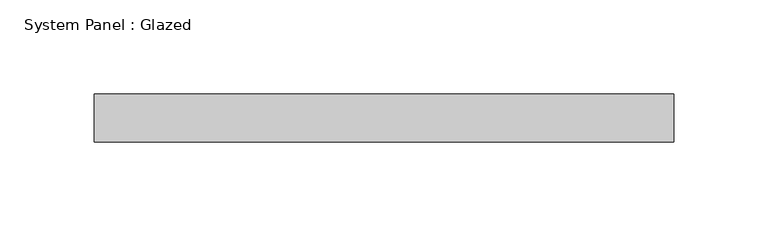
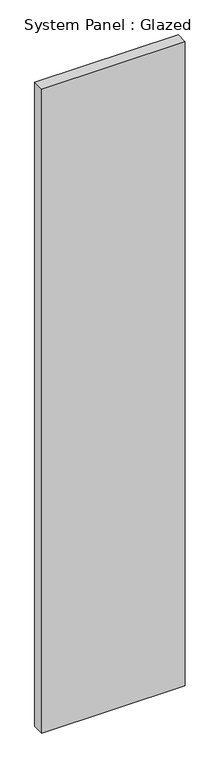
"""IFC4 building model written with IfcOpenShell, lengths in millimetres: plate geometry, System Panel : Glazed."""

import ifcopenshell
import ifcopenshell.guid

model = None  # the IFC model being written
_history = None  # IfcOwnerHistory: only IFC2X3 demands one
_inside = {}  # id of a spatial element -> (the spatial element, [elements in it])
_under = {}  # id of a project, library or spatial element -> (it, [spatial elements below it])
_declared = {}  # id of a project -> (the project, [libraries it declares])
_typed = {}  # id of a type object -> (the type object, [elements of that type])
_made_of = {}  # id of a material, layer set ... -> (it, [elements and type objects made of it])


def new_model(schema):
    """Start an empty IFC model of exactly this schema.

    Asked for "IFC4X3", IfcOpenShell would pick the latest addendum, in which some entities
    have other attributes; the version numbers below select the first issue.
    IFC2X3 requires an IfcOwnerHistory on every rooted entity: one is made here for all.
    """
    global model, _history
    if schema == "IFC4X3":
        model = ifcopenshell.file(schema_version=(4, 3, 0, 0))
    else:
        model = ifcopenshell.file(schema=schema)
    _inside.clear()
    _under.clear()
    _declared.clear()
    _typed.clear()
    _made_of.clear()
    _history = None
    if model.schema == "IFC2X3":
        org = make("IfcOrganization", Name="unknown")
        user = make(
            "IfcPersonAndOrganization",
            ThePerson=make("IfcPerson", FamilyName="unknown"),
            TheOrganization=org,
        )
        app = make(
            "IfcApplication",
            ApplicationDeveloper=org,
            Version="unknown",
            ApplicationFullName="unknown",
            ApplicationIdentifier="unknown",
        )
        _history = make(
            "IfcOwnerHistory",
            OwningUser=user,
            OwningApplication=app,
            ChangeAction="ADDED",
            CreationDate=0,
        )
    return model


def make(cls, **values):
    """One entity of the class cls with the attributes given. An attribute that is None is left unset."""
    return model.create_entity(
        cls, **{name: value for name, value in values.items() if value is not None}
    )


def rooted(cls, **values):
    """An entity with a GlobalId (a new one), such as an element, a storey or a relation."""
    return make(cls, GlobalId=ifcopenshell.guid.new(), OwnerHistory=_history, **values)


def si_unit(unit_type, name, prefix=None):
    """IfcSIUnit, for example si_unit("LENGTHUNIT", "METRE", prefix="MILLI")."""
    return make("IfcSIUnit", UnitType=unit_type, Prefix=prefix, Name=name)


def assignment(units):
    """IfcUnitAssignment: the units of a project."""
    return None if units is None else make("IfcUnitAssignment", Units=units)


def point(xyz):
    """IfcCartesianPoint."""
    return None if xyz is None else make("IfcCartesianPoint", Coordinates=xyz)


def direction(xyz):
    """IfcDirection."""
    return None if xyz is None else make("IfcDirection", DirectionRatios=xyz)


def frame(location, z_axis=None, x_axis=None):
    """IfcAxis2Placement3D, a coordinate frame: its origin and axes. An axis left out is left unset."""
    return make(
        "IfcAxis2Placement3D",
        Location=point(location),
        Axis=direction(z_axis),
        RefDirection=direction(x_axis),
    )


def origin():
    """The frame at (0, 0, 0) with its axes left unset."""
    return frame((0.0, 0.0, 0.0))


def origin_with_axes():
    """The frame at (0, 0, 0) with the z axis (0, 0, 1) and the x axis (1, 0, 0) written out."""
    return frame((0.0, 0.0, 0.0), z_axis=(0.0, 0.0, 1.0), x_axis=(1.0, 0.0, 0.0))


def place(relative_to, where):
    """IfcLocalPlacement: puts the frame where relative to a parent placement (None: the world)."""
    return make(
        "IfcLocalPlacement", PlacementRelTo=relative_to, RelativePlacement=where
    )


def context(
    kind, dimensions, precision=None, world=None, true_north=None, identifier=None
):
    """IfcGeometricRepresentationContext, for example the 3D "Model" context."""
    return make(
        "IfcGeometricRepresentationContext",
        ContextIdentifier=identifier,
        ContextType=kind,
        CoordinateSpaceDimension=dimensions,
        Precision=precision,
        WorldCoordinateSystem=world,
        TrueNorth=true_north,
    )


def project(units=None, contexts=None):
    """IfcProject with its units and contexts."""
    return rooted(
        "IfcProject",
        Name="project",
        RepresentationContexts=contexts,
        UnitsInContext=assignment(units),
    )


def spatial(cls, under=None, at=None, **own):
    """A site, building, storey or space (cls), placed at a placement, below another one or the project."""
    s = rooted(cls, ObjectPlacement=at, **own)
    if under is not None:
        _under.setdefault(under.id(), (under, []))[1].append(s)
    return s


def polyline(points):
    """IfcPolyline through the points."""
    return make("IfcPolyline", Points=[point(p) for p in points])


def outline(outer, holes=None, kind="AREA"):
    """IfcArbitraryClosedProfileDef: a profile drawn as a closed curve; with holes, ...WithVoids."""
    if holes is None:
        return make("IfcArbitraryClosedProfileDef", ProfileType=kind, OuterCurve=outer)
    return make(
        "IfcArbitraryProfileDefWithVoids",
        ProfileType=kind,
        OuterCurve=outer,
        InnerCurves=holes,
    )


def extrude(swept, where, along, depth):
    """IfcExtrudedAreaSolid: the profile swept, set in the frame where, extruded along a direction by depth."""
    return make(
        "IfcExtrudedAreaSolid",
        SweptArea=swept,
        Position=where,
        ExtrudedDirection=direction(along),
        Depth=depth,
    )


def shape(context_of_items, identifier, shape_type, items):
    """IfcShapeRepresentation: the items that make up one representation, for example the "Body"."""
    return make(
        "IfcShapeRepresentation",
        ContextOfItems=context_of_items,
        RepresentationIdentifier=identifier,
        RepresentationType=shape_type,
        Items=items,
    )


def source(mapping_origin, context_of_items, identifier, shape_type, items):
    """IfcRepresentationMap: a shape defined once, which mapped items show again and again."""
    return make(
        "IfcRepresentationMap",
        MappingOrigin=mapping_origin,
        MappedRepresentation=shape(context_of_items, identifier, shape_type, items),
    )


def transform(
    local_origin,
    x_axis=None,
    y_axis=None,
    z_axis=None,
    scale=None,
    scale2=None,
    scale3=None,
    uniform=True,
):
    """IfcCartesianTransformationOperator3D, or its non-uniform kind. x_axis, y_axis, z_axis: its Axis1, 2, 3."""
    if uniform:
        return make(
            "IfcCartesianTransformationOperator3D",
            Axis1=direction(x_axis),
            Axis2=direction(y_axis),
            LocalOrigin=point(local_origin),
            Scale=scale,
            Axis3=direction(z_axis),
        )
    return make(
        "IfcCartesianTransformationOperator3DnonUniform",
        Axis1=direction(x_axis),
        Axis2=direction(y_axis),
        LocalOrigin=point(local_origin),
        Scale=scale,
        Axis3=direction(z_axis),
        Scale2=scale2,
        Scale3=scale3,
    )


def mapped(mapping_source, mapping_target):
    """IfcMappedItem: shows the shape of a source again, moved by a transform."""
    return make(
        "IfcMappedItem", MappingSource=mapping_source, MappingTarget=mapping_target
    )


def made_of(thing, what):
    """Note that an element or type object is made of a material, layer set ...; save() writes the relation."""
    if what is not None:
        _made_of.setdefault(what.id(), (what, []))[1].append(thing)
    return thing


def element(
    cls,
    number,
    at=None,
    inside=None,
    cuts=None,
    type_object=None,
    material=None,
    context=None,
    identifier="Body",
    shape_type=None,
    held_by="IfcProductDefinitionShape",
    body=None,
    shapes=None,
    **own,
):
    """One element of the class cls, such as IfcWall. Its Tag is "e" and its number.

    at: its placement. inside: the storey or other place that contains it. cuts: it is an
    opening in that element (IfcRelVoidsElement). A single representation is given by context,
    identifier, shape_type and body (its items); several are given by shapes. held_by: the class
    of the entity that holds the representations. save() writes the other relations.
    """
    e = rooted(cls, Tag="e%d" % number, ObjectPlacement=at, **own)
    if body is not None:
        shapes = [shape(context, identifier, shape_type, body)]
    if shapes is not None:
        e.Representation = make(held_by, Representations=shapes)
    if inside is not None:
        _inside.setdefault(inside.id(), (inside, []))[1].append(e)
    if cuts is not None:
        rooted(
            "IfcRelVoidsElement", RelatingBuildingElement=cuts, RelatedOpeningElement=e
        )
    if type_object is not None:
        _typed.setdefault(type_object.id(), (type_object, []))[1].append(e)
    return made_of(e, material)


def aggregate(whole, parts):
    """IfcRelAggregates: a whole, such as a stair, and the parts it consists of."""
    return rooted("IfcRelAggregates", RelatingObject=whole, RelatedObjects=parts)


def save(model, path):
    """Write the relations noted so far, then the file.

    IfcRelAggregates (storeys below a building ...), IfcRelContainedInSpatialStructure (elements
    in a storey), IfcRelDefinesByType, IfcRelAssociatesMaterial and IfcRelDeclares: one each for
    every whole, place, type object, material and project.
    """
    for whole, parts in _under.values():
        aggregate(whole, parts)
    for where, things in _inside.values():
        rooted(
            "IfcRelContainedInSpatialStructure",
            RelatedElements=things,
            RelatingStructure=where,
        )
    for kind, things in _typed.values():
        rooted("IfcRelDefinesByType", RelatedObjects=things, RelatingType=kind)
    for what, things in _made_of.values():
        rooted("IfcRelAssociatesMaterial", RelatedObjects=things, RelatingMaterial=what)
    for by, libraries in _declared.values():
        rooted("IfcRelDeclares", RelatingContext=by, RelatedDefinitions=libraries)
    model.write(path)


def system_panel_glazed_8d08b255(model_context):
    return source(origin(), model_context, "Body", "SweptSolid", [
        extrude(outline(polyline([(153.4583333, -12.7), (-153.4583333, -12.7), (-153.4583333, 12.7), (153.4583333, 12.7), (153.4583333, -12.7)])), origin_with_axes(), (0.0, 0.0, 1.0), 1454.15),
    ])


if __name__ == "__main__":
    model = new_model("IFC4")
    model_context = context("Model", 3, world=origin())
    ifc_project = project(units=[si_unit("LENGTHUNIT", "METRE", prefix="MILLI")], contexts=[model_context])
    site = spatial("IfcSite", under=ifc_project)
    building = spatial("IfcBuilding", under=site)
    placement = place(None, origin())
    system_panel_glazed_shape = system_panel_glazed_8d08b255(model_context)
    element("IfcPlate", 1, ObjectType="System Panel : Glazed", at=placement, inside=building, context=model_context, shape_type="MappedRepresentation", body=[
        mapped(system_panel_glazed_shape, transform((0.0, 0.0, 0.0), x_axis=(1.0, 0.0, 0.0), y_axis=(0.0, 1.0, 0.0), z_axis=(0.0, 0.0, 1.0))),
    ])
    save(model, "model.ifc")
